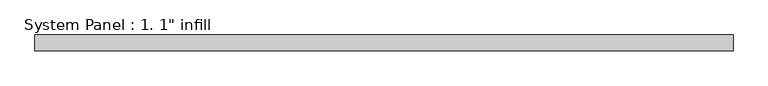
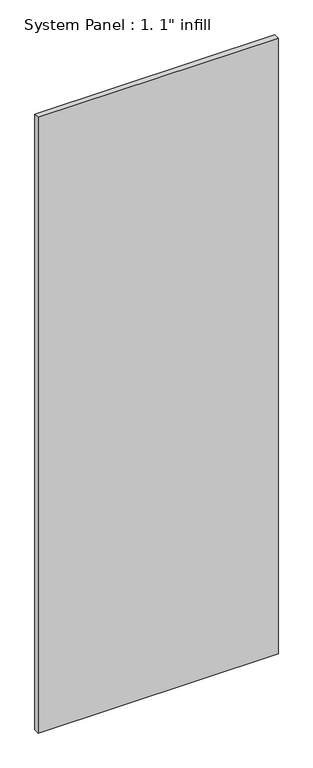
"""IFC4 building model written with IfcOpenShell, lengths in millimetres: plate geometry."""

from ifc_helpers import new_model, si_unit, origin, origin_with_axes, place, context, project, spatial, polyline, outline, extrude, source, transform, mapped, element, save


def plate_4306ee3e(model_context):
    return source(origin(), model_context, "Body", "SweptSolid", [
        extrude(outline(polyline([(561.975, -12.7), (-561.975, -12.7), (-561.975, 12.7), (561.975, 12.7), (561.975, -12.7)])), origin_with_axes(), (0.0, 0.0, 1.0), 3048.0),
    ])


if __name__ == "__main__":
    model = new_model("IFC4")
    model_context = context("Model", 3, world=origin())
    ifc_project = project(units=[si_unit("LENGTHUNIT", "METRE", prefix="MILLI")], contexts=[model_context])
    site = spatial("IfcSite", under=ifc_project)
    building = spatial("IfcBuilding", under=site)
    placement = place(None, origin())
    plate_shape = plate_4306ee3e(model_context)
    element("IfcPlate", 1, ObjectType="System Panel : 1. 1\" infill", at=placement, inside=building, context=model_context, shape_type="MappedRepresentation", body=[
        mapped(plate_shape, transform((0.0, 0.0, 0.0), x_axis=(1.0, 0.0, 0.0), y_axis=(0.0, 1.0, 0.0), z_axis=(0.0, 0.0, 1.0))),
    ])
    save(model, "model.ifc")
